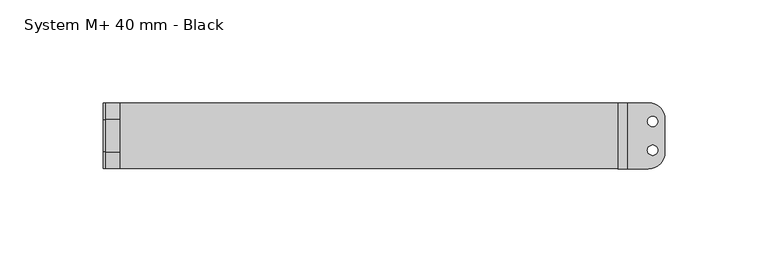
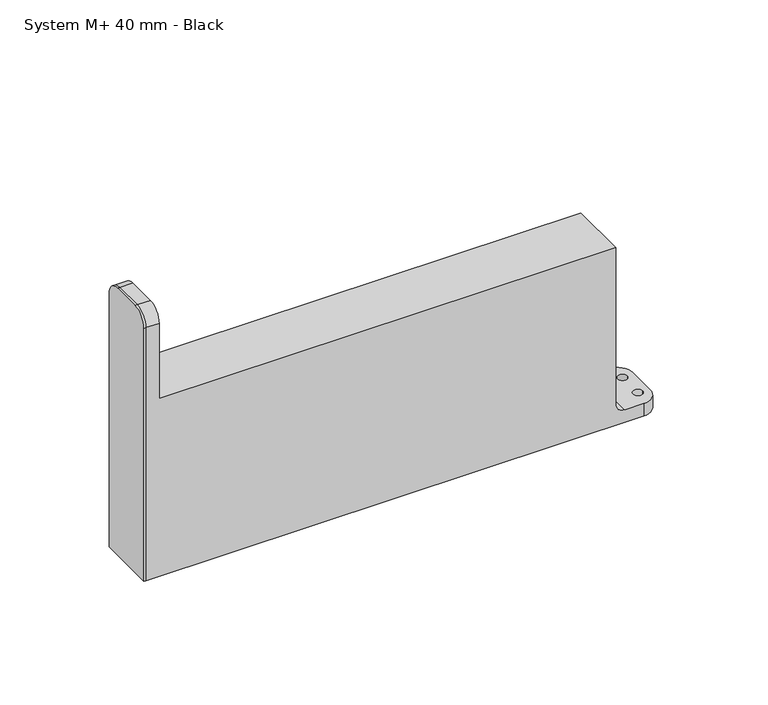
"""IFC4 building model written with IfcOpenShell, lengths in millimetres: proxy geometry, System M+ 40 mm - Black."""

from ifc_helpers import new_model, si_unit, point, frame, frame_2d, origin, origin_with_axes, place, context, project, spatial, polyline, circle_curve, ellipse_curve, trimmed, segment, composite_curve, outline, extrude, source, transform, mapped, element, save
from ifc_brep_helpers import plane_surface, cylinder_surface, revolved_surface, spline_surface, advanced_brep


def system_m_40_mm_black_583d6498(model_context):
    return source(origin(), model_context, "Body", "SolidModel", [
        extrude(outline(composite_curve([segment(polyline([(16.0, 0.0), (-16.0, 0.0), (-16.0, 141.8)]), True, "CONTINUOUS"), segment(trimmed(circle_curve(frame_2d((-8.0, 141.8)), 8.0), [point((-16.0, 141.8))], [point((-8.0, 149.8))], False, "CARTESIAN"), True, "CONTINUOUS"), segment(polyline([(-8.0, 149.8), (8.0, 149.8)]), True, "CONTINUOUS"), segment(trimmed(circle_curve(frame_2d((8.0, 141.8)), 8.0), [point((8.0, 149.8))], [point((16.0, 141.8))], False, "CARTESIAN"), True, "CONTINUOUS"), segment(polyline([(16.0, 141.8), (16.0, 0.0)]), True, "CONTINUOUS")], self_intersect=False)), frame((-40.0, 0.0, 0.0), z_axis=(1.0, 0.0, 0.0), x_axis=(0.0, 1.0, 0.0)), (0.0, 0.0, 1.0), 1.0),
        advanced_brep(
        [(7.5, 0.0, 1.0), (-7.5, 0.0, 1.0), (6.75, 0.0, -8.0), (-6.75, 0.0, -8.0)],
        [
            (0, 1, ellipse_curve(frame((0.0, 0.0, 1.0), z_axis=(0.0, 0.0, 1.0), x_axis=(-1.0, 0.0, 0.0)), 7.5, 4.8)),
            (1, 0, ellipse_curve(frame((0.0, 0.0, 1.0), z_axis=(0.0, 0.0, 1.0), x_axis=(-1.0, 0.0, 0.0)), 7.5, 4.8)),
            (2, 3, ellipse_curve(frame((0.0, 0.0, -8.0), z_axis=(0.0, 0.0, -1.0), x_axis=(-1.0, 0.0, 0.0)), 6.75, 4.0)),
            (3, 2, ellipse_curve(frame((0.0, 0.0, -8.0), z_axis=(0.0, 0.0, -1.0), x_axis=(-1.0, 0.0, 0.0)), 6.75, 4.0)),
            (3, 1),
            (0, 2),
        ],
        [
            plane_surface(frame((0.0, 0.0, 1.0), z_axis=(0.0, 0.0, 1.0), x_axis=(0.0, 1.0, 0.0))),
            plane_surface(frame((0.0, 0.0, -8.0), z_axis=(0.0, 0.0, -1.0), x_axis=(0.0, 1.0, 0.0))),
            spline_surface(2, 1, [[(6.75, 0.0, -8.0), (7.5, 0.0, 1.0)], [(6.75, 4.0, -8.0), (7.5, 4.8, 1.0)], [(0.0, 4.0, -8.0), (0.0, 4.8, 1.0)], [(-6.75, 4.0, -8.0), (-7.5, 4.8, 1.0)], [(-6.75, 0.0, -8.0), (-7.5, 0.0, 1.0)]], [3, 2, 3], [2, 2], [0.0, 1.0, 2.0], [0.0, 1.0], weights=[[1.0, 1.0], [0.7071067811865476, 0.7071067811865476], [1.0, 1.0], [0.7071067811865476, 0.7071067811865476], [1.0, 1.0]]),
            spline_surface(2, 1, [[(-6.75, 0.0, -8.0), (-7.5, 0.0, 1.0)], [(-6.75, -4.0, -8.0), (-7.5, -4.8, 1.0)], [(0.0, -4.0, -8.0), (0.0, -4.8, 1.0)], [(6.75, -4.0, -8.0), (7.5, -4.8, 1.0)], [(6.75, 0.0, -8.0), (7.5, 0.0, 1.0)]], [3, 2, 3], [2, 2], [0.0, 1.0, 2.0], [0.0, 1.0], weights=[[1.0, 1.0], [0.7071067811865476, 0.7071067811865476], [1.0, 1.0], [0.7071067811865476, 0.7071067811865476], [1.0, 1.0]]),
        ],
        [
            (0, [[1, 2]]),
            (1, [[3, 4]]),
            (2, [[-4, 5, -1, 6]]),
            (3, [[-3, -6, -2, -5]]),
        ],
    ),
        advanced_brep(
        [(214.7, -16.0, 7.0), (209.7, -16.0, 12.0), (209.7, -16.0, 99.6), (-32.0, -16.0, 99.6), (-32.0, -16.0, 141.8), (-39.0, -16.0, 141.8), (-39.0, -16.0, 0.0), (224.7, -16.0, 0.0), (224.7, -16.0, 7.0), (-32.0, 16.0, 99.6), (209.7, 16.0, 99.6), (209.7, 16.0, 12.0), (214.7, 16.0, 7.0), (224.7, 16.0, 7.0), (224.7, 16.0, 0.0), (-39.0, 16.0, 0.0), (-39.0, 16.0, 141.8), (-32.0, 16.0, 141.8), (232.7, 8.0, 0.0), (232.7, -8.0, 0.0), (-15.5, 0.0, 0.0), (15.5, 0.0, 0.0), (232.45, 7.0, 0.0), (220.95, 7.0, 0.0), (220.95, -7.0, 0.0), (232.45, -7.0, 0.0), (232.7, 8.0, 7.0), (232.7, -8.0, 7.0), (224.2, 7.0, 7.0), (229.2, 7.0, 7.0), (229.2, -7.0, 7.0), (224.2, -7.0, 7.0), (-39.0, -8.0, 149.8), (-39.0, 8.0, 149.8), (-15.5, 0.0, 1.0), (15.5, 0.0, 1.0), (224.2, 7.0, 3.25), (229.2, 7.0, 3.25), (224.2, -7.0, 3.25), (229.2, -7.0, 3.25), (-32.0, 8.0, 149.8), (-32.0, -8.0, 149.8)],
        [
            (0, 1, circle_curve(frame((214.7, -16.0, 12.0), z_axis=(0.0, 1.0, 0.0), x_axis=(1.0, 0.0, 0.0)), 5.0)),
            (1, 2),
            (2, 3),
            (3, 4),
            (4, 5),
            (5, 6),
            (6, 7),
            (7, 8),
            (8, 0),
            (9, 10),
            (10, 11),
            (11, 12, circle_curve(frame((214.7, 16.0, 12.0), z_axis=(0.0, -1.0, 0.0), x_axis=(1.0, 0.0, 0.0)), 5.0)),
            (12, 13),
            (13, 14),
            (14, 15),
            (15, 16),
            (16, 17),
            (17, 9),
            (6, 15),
            (14, 18, circle_curve(frame((224.7, 8.0, 0.0), z_axis=(0.0, 0.0, -1.0), x_axis=(1.0, 0.0, 0.0)), 8.0)),
            (18, 19),
            (19, 7, circle_curve(frame((224.7, -8.0, 0.0), z_axis=(0.0, 0.0, -1.0), x_axis=(1.0, 0.0, 0.0)), 8.0)),
            (20, 21, circle_curve(origin_with_axes(), 15.5)),
            (21, 20, circle_curve(origin_with_axes(), 15.5)),
            (22, 23, circle_curve(frame((226.7, 7.0, 0.0), z_axis=(0.0, 0.0, 1.0), x_axis=(1.0, 0.0, 0.0)), 5.75)),
            (23, 22, circle_curve(frame((226.7, 7.0, 0.0), z_axis=(0.0, 0.0, 1.0), x_axis=(1.0, 0.0, 0.0)), 5.75)),
            (24, 25, circle_curve(frame((226.7, -7.0, 0.0), z_axis=(0.0, 0.0, 1.0), x_axis=(1.0, 0.0, 0.0)), 5.75)),
            (25, 24, circle_curve(frame((226.7, -7.0, 0.0), z_axis=(0.0, 0.0, 1.0), x_axis=(1.0, 0.0, 0.0)), 5.75)),
            (18, 26),
            (26, 27),
            (27, 19),
            (12, 0),
            (8, 27, circle_curve(frame((224.7, -8.0, 7.0), z_axis=(0.0, 0.0, 1.0), x_axis=(1.0, 0.0, 0.0)), 8.0)),
            (26, 13, circle_curve(frame((224.7, 8.0, 7.0), z_axis=(0.0, 0.0, 1.0), x_axis=(1.0, 0.0, 0.0)), 8.0)),
            (28, 29, circle_curve(frame((226.7, 7.0, 7.0), z_axis=(0.0, 0.0, -1.0), x_axis=(1.0, 0.0, 0.0)), 2.5)),
            (29, 28, circle_curve(frame((226.7, 7.0, 7.0), z_axis=(0.0, 0.0, -1.0), x_axis=(1.0, 0.0, 0.0)), 2.5)),
            (30, 31, circle_curve(frame((226.7, -7.0, 7.0), z_axis=(0.0, 0.0, -1.0), x_axis=(1.0, 0.0, 0.0)), 2.5)),
            (31, 30, circle_curve(frame((226.7, -7.0, 7.0), z_axis=(0.0, 0.0, -1.0), x_axis=(1.0, 0.0, 0.0)), 2.5)),
            (11, 1),
            (10, 2),
            (9, 3),
            (5, 32, circle_curve(frame((-39.0, -8.0, 141.8), z_axis=(-1.0, 0.0, 0.0), x_axis=(0.0, 0.0, 1.0)), 8.0)),
            (32, 33),
            (33, 16, circle_curve(frame((-39.0, 8.0, 141.8), z_axis=(-1.0, 0.0, 0.0), x_axis=(0.0, 0.0, 1.0)), 8.0)),
            (34, 35, circle_curve(frame((0.0, 0.0, 1.0), z_axis=(0.0, 0.0, -1.0), x_axis=(1.0, 0.0, 0.0)), 15.5)),
            (35, 34, circle_curve(frame((0.0, 0.0, 1.0), z_axis=(0.0, 0.0, -1.0), x_axis=(1.0, 0.0, 0.0)), 15.5)),
            (35, 21),
            (20, 34),
            (28, 36),
            (36, 37, circle_curve(frame((226.7, 7.0, 3.25), z_axis=(0.0, 0.0, -1.0), x_axis=(1.0, 0.0, 0.0)), 2.5)),
            (37, 29),
            (37, 36, circle_curve(frame((226.7, 7.0, 3.25), z_axis=(0.0, 0.0, -1.0), x_axis=(1.0, 0.0, 0.0)), 2.5)),
            (36, 23),
            (22, 37),
            (38, 31),
            (30, 39),
            (39, 38, circle_curve(frame((226.7, -7.0, 3.25), z_axis=(0.0, 0.0, -1.0), x_axis=(1.0, 0.0, 0.0)), 2.5)),
            (38, 39, circle_curve(frame((226.7, -7.0, 3.25), z_axis=(0.0, 0.0, -1.0), x_axis=(1.0, 0.0, 0.0)), 2.5)),
            (39, 25),
            (24, 38),
            (17, 40, circle_curve(frame((-32.0, 8.0, 141.8), z_axis=(1.0, 0.0, 0.0), x_axis=(0.0, 0.0, 1.0)), 8.0)),
            (40, 41),
            (41, 4, circle_curve(frame((-32.0, -8.0, 141.8), z_axis=(1.0, 0.0, 0.0), x_axis=(0.0, 0.0, 1.0)), 8.0)),
            (32, 41),
            (40, 33),
        ],
        [
            plane_surface(frame((232.7, -16.0, 7.0), z_axis=(0.0, -1.0, 0.0), x_axis=(0.0, 0.0, 1.0))),
            plane_surface(frame((232.7, 16.0, 7.0), z_axis=(0.0, 1.0, 0.0), x_axis=(0.0, 0.0, -1.0))),
            plane_surface(frame((-39.0, -16.0, 0.0), z_axis=(0.0, 0.0, -1.0), x_axis=(0.0, 1.0, 0.0))),
            plane_surface(frame((232.7, -16.0, 0.0), z_axis=(1.0, 0.0, 0.0), x_axis=(0.0, 1.0, 0.0))),
            plane_surface(frame((232.7, -16.0, 7.0), z_axis=(0.0, 0.0, 1.0), x_axis=(0.0, 1.0, 0.0))),
            revolved_surface(polyline([(219.7, 16.0, 12.0), (219.7, -16.0, 12.0)]), (214.7, 16.0, 12.0), (0.0, 1.0, 0.0)),
            plane_surface(frame((209.7, -16.0, 12.0), z_axis=(1.0, 0.0, 0.0), x_axis=(0.0, 1.0, 0.0))),
            plane_surface(frame((209.7, -16.0, 99.6), z_axis=(0.0, 0.0, 1.0), x_axis=(0.0, 1.0, 0.0))),
            plane_surface(frame((-39.0, -16.0, 149.8), z_axis=(-1.0, 0.0, 0.0), x_axis=(0.0, 1.0, 0.0))),
            plane_surface(frame((15.5, 0.0, 1.0), z_axis=(0.0, 0.0, -1.0), x_axis=(0.0, 1.0, 0.0))),
            revolved_surface(polyline([(15.5, 0.0, 1.0), (15.5, 0.0, 0.0)]), (0.0, 0.0, 0.0), (0.0, 0.0, 1.0)),
            revolved_surface(polyline([(229.2, 7.0, 7.0), (229.2, 7.0, 3.25)]), (226.7, 7.0, 7.0), (0.0, 0.0, 1.0)),
            revolved_surface(polyline([(229.2, 7.0, 3.25), (232.45, 7.0, 0.0)]), (226.7, 7.0, 7.0), (0.0, 0.0, 1.0)),
            revolved_surface(polyline([(229.2, -7.0, 3.25), (229.2, -7.0, 7.0)]), (226.7, -7.0, 7.0), (0.0, 0.0, -1.0)),
            revolved_surface(polyline([(232.45, -7.0, 0.0), (229.2, -7.0, 3.25)]), (226.7, -7.0, 7.0), (0.0, 0.0, -1.0)),
            plane_surface(frame((-32.0, -16.0, 99.6), z_axis=(1.0, 0.0, 0.0), x_axis=(0.0, 1.0, 0.0))),
            plane_surface(frame((-32.0, -16.0, 149.8), z_axis=(0.0, 0.0, 1.0), x_axis=(0.0, 1.0, 0.0))),
            cylinder_surface(frame((-32.0, -8.0, 141.8), z_axis=(1.0, 0.0, 0.0), x_axis=(0.0, 0.0, 1.0)), 8.0),
            cylinder_surface(frame((-39.0, 8.0, 141.8), z_axis=(1.0, 0.0, 0.0), x_axis=(0.0, 0.0, 1.0)), 8.0),
            cylinder_surface(frame((224.7, -8.0, 0.0), z_axis=(0.0, 0.0, -1.0), x_axis=(1.0, 0.0, 0.0)), 8.0),
            cylinder_surface(frame((224.7, 8.0, 0.0), z_axis=(0.0, 0.0, -1.0), x_axis=(1.0, 0.0, 0.0)), 8.0),
        ],
        [
            (0, [[1, 2, 3, 4, 5, 6, 7, 8, 9]]),
            (1, [[10, 11, 12, 13, 14, 15, 16, 17, 18]]),
            (2, [[19, -15, 20, 21, 22, -7], [23, 24], [25, 26], [27, 28]]),
            (3, [[-21, 29, 30, 31]]),
            (4, [[32, -9, 33, -30, 34, -13], [35, 36], [37, 38]]),
            (5, [[-1, -32, -12, 39]]),
            (6, [[-2, -39, -11, 40]]),
            (7, [[-3, -40, -10, 41]]),
            (8, [[-19, -6, 42, 43, 44, -16]]),
            (9, [[45, 46]]),
            (10, [[-46, 47, -23, 48]]),
            (10, [[-45, -48, -24, -47]]),
            (11, [[49, 50, 51, -35]]),
            (11, [[-49, -36, -51, 52]]),
            (12, [[-50, 53, -25, 54]]),
            (12, [[-52, -54, -26, -53]]),
            (13, [[55, -37, 56, 57]]),
            (13, [[-55, 58, -56, -38]]),
            (14, [[-57, 59, -27, 60]]),
            (14, [[-58, -60, -28, -59]]),
            (15, [[-41, -18, 61, 62, 63, -4]]),
            (16, [[-43, 64, -62, 65]]),
            (17, [[-5, -63, -64, -42]]),
            (18, [[-17, -44, -65, -61]]),
            (19, [[-8, -22, -31, -33]]),
            (20, [[-14, -34, -29, -20]]),
        ],
    ),
    ])


if __name__ == "__main__":
    model = new_model("IFC4")
    model_context = context("Model", 3, world=origin())
    ifc_project = project(units=[si_unit("LENGTHUNIT", "METRE", prefix="MILLI")], contexts=[model_context])
    site = spatial("IfcSite", under=ifc_project)
    building = spatial("IfcBuilding", under=site)
    placement = place(None, origin())
    system_m_40_mm_black_shape = system_m_40_mm_black_583d6498(model_context)
    element("IfcBuildingElementProxy", 1, Name="System M+ 40 mm - Black", ObjectType="System M+ 40 mm - Black", at=placement, inside=building, context=model_context, shape_type="MappedRepresentation", body=[
        mapped(system_m_40_mm_black_shape, transform((0.0, 0.0, 0.0), x_axis=(1.0, 0.0, 0.0), y_axis=(0.0, 1.0, 0.0), z_axis=(0.0, 0.0, 1.0))),
    ])
    save(model, "model.ifc")
